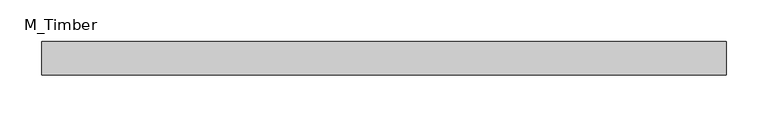
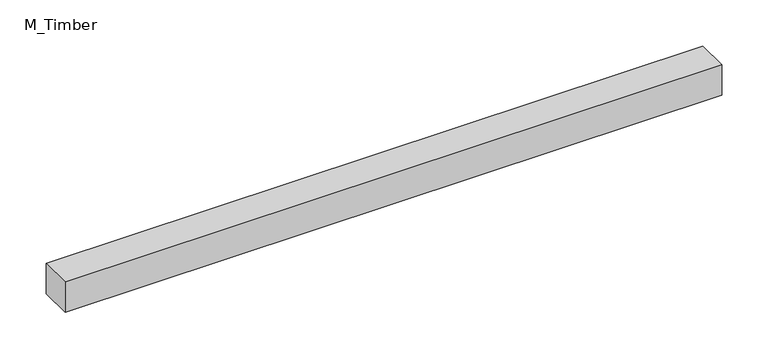
"""IFC4 building model written with IfcOpenShell, lengths in millimetres: beam geometry, M_Timber."""

from ifc_helpers import new_model, si_unit, frame, origin, place, context, project, spatial, polyline, outline, extrude, source, transform, mapped, element, save


def m_timber_a78505ad(model_context):
    return source(origin(), model_context, "Body", "SweptSolid", [
        extrude(outline(polyline([(407.8864208, 20.0), (407.8864208, -20.0), (-407.8864208, -20.0), (-407.8864208, 20.0), (407.8864208, 20.0)])), frame((0.0, 0.0, -20.0), z_axis=(0.0, 0.0, 1.0), x_axis=(1.0, 0.0, 0.0)), (0.0, 0.0, 1.0), 40.0),
    ])


if __name__ == "__main__":
    model = new_model("IFC4")
    model_context = context("Model", 3, world=origin())
    ifc_project = project(units=[si_unit("LENGTHUNIT", "METRE", prefix="MILLI")], contexts=[model_context])
    site = spatial("IfcSite", under=ifc_project)
    building = spatial("IfcBuilding", under=site)
    placement = place(None, origin())
    m_timber_shape = m_timber_a78505ad(model_context)
    element("IfcBeam", 1, ObjectType="M_Timber", at=placement, inside=building, context=model_context, shape_type="MappedRepresentation", body=[
        mapped(m_timber_shape, transform((0.0, 0.0, 0.0), x_axis=(1.0, 0.0, 0.0), y_axis=(0.0, 1.0, 0.0), z_axis=(0.0, 0.0, 1.0))),
    ])
    save(model, "model.ifc")
